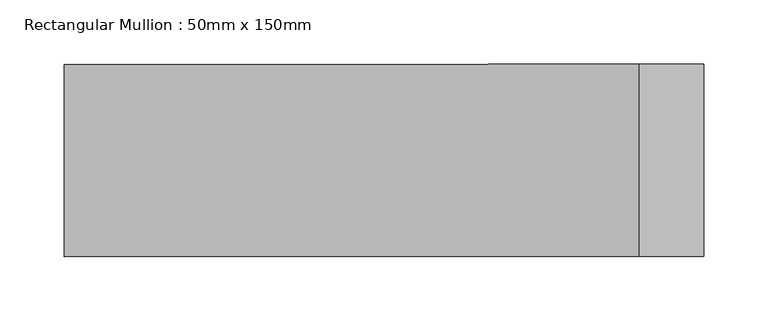
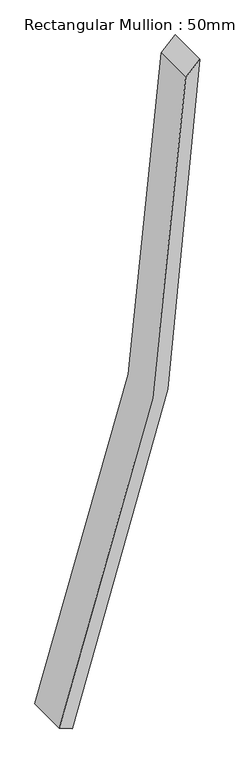
"""IFC4 building model written with IfcOpenShell, lengths in millimetres: member geometry, Rectangular Mullion : 50mm x 150mm."""

from ifc_helpers import new_model, si_unit, point, frame, frame_2d, origin, place, context, project, spatial, polyline, circle_curve, trimmed, segment, composite_curve, outline, extrude, source, transform, mapped, element, save


def rectangular_mullion_50mm_x_150mm_926a67ee(model_context):
    return source(origin(), model_context, "Body", "SweptSolid", [
        extrude(outline(composite_curve([segment(trimmed(circle_curve(frame_2d((0.0, -6346.1004829)), 6346.1004829), [point((-2351.8533559, -451.8849175))], [point((0.0, 0.0))], False, "CARTESIAN"), True, "CONTINUOUS"), segment(polyline([(0.0, 0.0), (-50.2001313, -50.2001313)]), True, "CONTINUOUS"), segment(trimmed(circle_curve(frame_2d((0.0, -6346.1004829)), 6296.1004829), [point((-50.2001313, -50.2001313))], [point((-2333.3234464, -498.3245822))], True, "CARTESIAN"), True, "CONTINUOUS"), segment(polyline([(-2333.3234464, -498.3245822), (-2351.8533559, -451.8849175)]), True, "CONTINUOUS")], self_intersect=False)), frame((0.0, -75.0, 0.0), z_axis=(0.0, 1.0, 0.0), x_axis=(0.0, 0.0, 1.0)), (0.0, 0.0, 1.0), 150.0),
    ])


if __name__ == "__main__":
    model = new_model("IFC4")
    model_context = context("Model", 3, world=origin())
    ifc_project = project(units=[si_unit("LENGTHUNIT", "METRE", prefix="MILLI")], contexts=[model_context])
    site = spatial("IfcSite", under=ifc_project)
    building = spatial("IfcBuilding", under=site)
    placement = place(None, origin())
    rectangular_mullion_50mm_x_150mm_shape = rectangular_mullion_50mm_x_150mm_926a67ee(model_context)
    element("IfcMember", 1, ObjectType="Rectangular Mullion : 50mm x 150mm", at=placement, inside=building, context=model_context, shape_type="MappedRepresentation", body=[
        mapped(rectangular_mullion_50mm_x_150mm_shape, transform((0.0, 0.0, 0.0), x_axis=(1.0, 0.0, 0.0), y_axis=(0.0, 1.0, 0.0), z_axis=(0.0, 0.0, 1.0))),
    ])
    save(model, "model.ifc")
